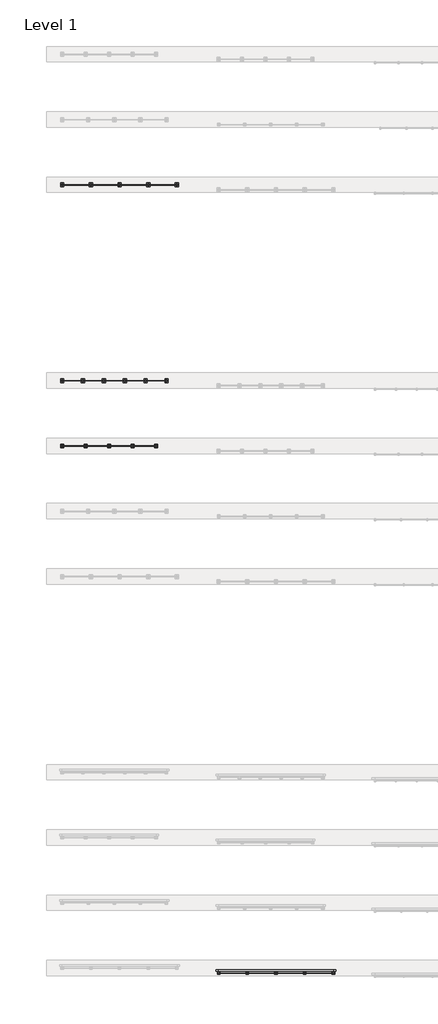
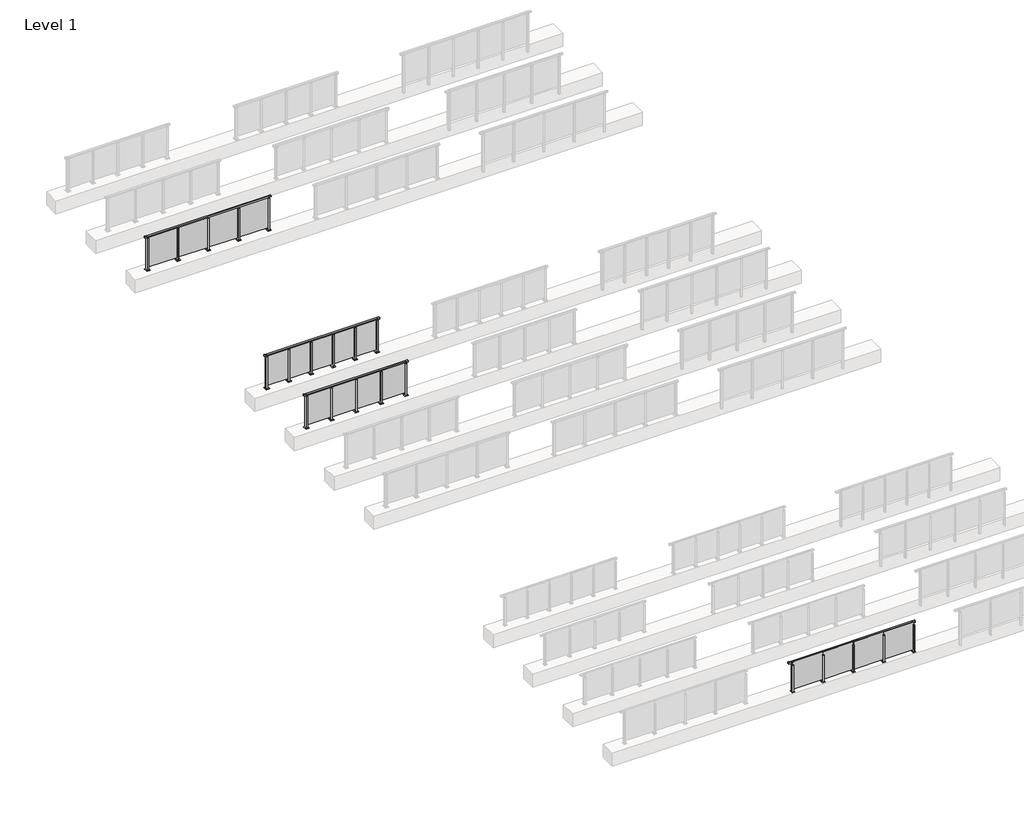
# One storey, part 17 of 38: 4 railings.
"""IFC4 building model written with IfcOpenShell, lengths in millimetres."""

from ifc_helpers import new_model, si_unit, point, frame, frame_2d, origin, origin_with_axes, place, context, project, spatial, polyline, circle_curve, trimmed, segment, composite_curve, outline, extrude, faceted_brep, element, save

model = new_model("IFC4")

# Units and contexts
model_context = context("Model", 3, world=origin())
ifc_project = project(units=[si_unit("LENGTHUNIT", "METRE", prefix="MILLI")], contexts=[model_context])

# Site, building, storey
site = spatial("IfcSite", under=ifc_project)
building = spatial("IfcBuilding", under=site)
storey = spatial("IfcBuildingStorey", under=building, Name="Level 1", Elevation=0.0)

# Railings
placement = place(None, origin())
element("IfcRailing", 1, at=placement, inside=storey, context=model_context, shape_type="SolidModel", body=[
    faceted_brep([(29476.1884576, 30220.1846828, 1252.5), (29476.1884576, 30220.1846828, 1300.0), (33876.1884576, 30220.1846828, 1300.0), (33876.1884576, 30220.1846828, 1252.5), (29476.1884576, 30160.1846828, 1252.5), (33876.1884576, 30160.1846828, 1252.5), (29476.1884576, 30160.1846828, 1300.0), (33876.1884576, 30160.1846828, 1300.0), (29388.6884576, 30220.1846828, 1300.0), (29388.6884576, 30220.1846828, 1252.5), (29388.6884576, 30160.1846828, 1252.5), (29388.6884576, 30160.1846828, 1300.0), (33963.6884576, 30220.1846828, 1300.0), (33963.6884576, 30160.1846828, 1300.0), (33963.6884576, 30160.1846828, 1252.5), (33963.6884576, 30220.1846828, 1252.5)], [[[0, 1, 2, 3]], [[4, 0, 3, 5]], [[6, 4, 5, 7]], [[1, 6, 7, 2]], [[8, 9, 10, 11]], [[9, 8, 1, 0]], [[10, 9, 0, 4]], [[11, 10, 4, 6]], [[8, 11, 6, 1]], [[12, 13, 14, 15]], [[3, 2, 12, 15]], [[5, 3, 15, 14]], [[7, 5, 14, 13]], [[2, 7, 13, 12]]]),
    extrude(outline(polyline([(32786.1884576, 30196.9598727), (33866.1884576, 30196.9598727), (33866.1884576, 30184.9598727), (32786.1884576, 30184.9598727), (32786.1884576, 30196.9598727)])), frame((0.0, 0.0, 95.0), z_axis=(0.0, 0.0, 1.0), x_axis=(1.0, 0.0, 0.0)), (0.0, 0.0, 1.0), 1170.0),
    extrude(outline(polyline([(32803.1884576, 30151.1846828), (32749.1884576, 30151.1846828), (32749.1884576, 30229.1846828), (32803.1884576, 30229.1846828), (32803.1884576, 30151.1846828)])), frame((0.0, 0.0, 12.0), z_axis=(0.0, 0.0, 1.0), x_axis=(1.0, 0.0, 0.0)), (0.0, 0.0, 1.0), 1215.0),
    extrude(outline(polyline([(32786.1884576, 30180.1846828), (32766.1884576, 30180.1846828), (32766.1884576, 30200.1846828), (32786.1884576, 30200.1846828), (32786.1884576, 30180.1846828)])), frame((0.0, 0.0, 1235.0), z_axis=(0.0, 0.0, 1.0), x_axis=(1.0, 0.0, 0.0)), (0.0, 0.0, 1.0), 20.0),
    extrude(outline(polyline([(32803.1884576, 30151.1846828), (32749.1884576, 30151.1846828), (32749.1884576, 30229.1846828), (32803.1884576, 30229.1846828), (32803.1884576, 30151.1846828)])), frame((0.0, 0.0, 1227.0), z_axis=(0.0, 0.0, 1.0), x_axis=(1.0, 0.0, 0.0)), (0.0, 0.0, 1.0), 8.0),
    extrude(outline(polyline([(32838.6884576, 30115.1846828), (32713.6884576, 30115.1846828), (32713.6884576, 30265.1846828), (32838.6884576, 30265.1846828), (32838.6884576, 30115.1846828)])), origin_with_axes(), (0.0, 0.0, 1.0), 12.0),
    extrude(outline(polyline([(31686.1884576, 30196.9598727), (32766.1884576, 30196.9598727), (32766.1884576, 30184.9598727), (31686.1884576, 30184.9598727), (31686.1884576, 30196.9598727)])), frame((0.0, 0.0, 95.0), z_axis=(0.0, 0.0, 1.0), x_axis=(1.0, 0.0, 0.0)), (0.0, 0.0, 1.0), 1170.0),
    extrude(outline(polyline([(31703.1884576, 30151.1846828), (31649.1884576, 30151.1846828), (31649.1884576, 30229.1846828), (31703.1884576, 30229.1846828), (31703.1884576, 30151.1846828)])), frame((0.0, 0.0, 12.0), z_axis=(0.0, 0.0, 1.0), x_axis=(1.0, 0.0, 0.0)), (0.0, 0.0, 1.0), 1215.0),
    extrude(outline(polyline([(31686.1884576, 30180.1846828), (31666.1884576, 30180.1846828), (31666.1884576, 30200.1846828), (31686.1884576, 30200.1846828), (31686.1884576, 30180.1846828)])), frame((0.0, 0.0, 1235.0), z_axis=(0.0, 0.0, 1.0), x_axis=(1.0, 0.0, 0.0)), (0.0, 0.0, 1.0), 20.0),
    extrude(outline(polyline([(31703.1884576, 30151.1846828), (31649.1884576, 30151.1846828), (31649.1884576, 30229.1846828), (31703.1884576, 30229.1846828), (31703.1884576, 30151.1846828)])), frame((0.0, 0.0, 1227.0), z_axis=(0.0, 0.0, 1.0), x_axis=(1.0, 0.0, 0.0)), (0.0, 0.0, 1.0), 8.0),
    extrude(outline(polyline([(31738.6884576, 30115.1846828), (31613.6884576, 30115.1846828), (31613.6884576, 30265.1846828), (31738.6884576, 30265.1846828), (31738.6884576, 30115.1846828)])), origin_with_axes(), (0.0, 0.0, 1.0), 12.0),
    extrude(outline(polyline([(30586.1884576, 30196.9598727), (31666.1884576, 30196.9598727), (31666.1884576, 30184.9598727), (30586.1884576, 30184.9598727), (30586.1884576, 30196.9598727)])), frame((0.0, 0.0, 95.0), z_axis=(0.0, 0.0, 1.0), x_axis=(1.0, 0.0, 0.0)), (0.0, 0.0, 1.0), 1170.0),
    extrude(outline(polyline([(30603.1884576, 30151.1846828), (30549.1884576, 30151.1846828), (30549.1884576, 30229.1846828), (30603.1884576, 30229.1846828), (30603.1884576, 30151.1846828)])), frame((0.0, 0.0, 12.0), z_axis=(0.0, 0.0, 1.0), x_axis=(1.0, 0.0, 0.0)), (0.0, 0.0, 1.0), 1215.0),
    extrude(outline(polyline([(30586.1884576, 30180.1846828), (30566.1884576, 30180.1846828), (30566.1884576, 30200.1846828), (30586.1884576, 30200.1846828), (30586.1884576, 30180.1846828)])), frame((0.0, 0.0, 1235.0), z_axis=(0.0, 0.0, 1.0), x_axis=(1.0, 0.0, 0.0)), (0.0, 0.0, 1.0), 20.0),
    extrude(outline(polyline([(30603.1884576, 30151.1846828), (30549.1884576, 30151.1846828), (30549.1884576, 30229.1846828), (30603.1884576, 30229.1846828), (30603.1884576, 30151.1846828)])), frame((0.0, 0.0, 1227.0), z_axis=(0.0, 0.0, 1.0), x_axis=(1.0, 0.0, 0.0)), (0.0, 0.0, 1.0), 8.0),
    extrude(outline(polyline([(30638.6884576, 30115.1846828), (30513.6884576, 30115.1846828), (30513.6884576, 30265.1846828), (30638.6884576, 30265.1846828), (30638.6884576, 30115.1846828)])), origin_with_axes(), (0.0, 0.0, 1.0), 12.0),
    extrude(outline(polyline([(29486.1884576, 30196.9598727), (30566.1884576, 30196.9598727), (30566.1884576, 30184.9598727), (29486.1884576, 30184.9598727), (29486.1884576, 30196.9598727)])), frame((0.0, 0.0, 95.0), z_axis=(0.0, 0.0, 1.0), x_axis=(1.0, 0.0, 0.0)), (0.0, 0.0, 1.0), 1170.0),
    extrude(outline(polyline([(33903.1884576, 30151.1846828), (33849.1884576, 30151.1846828), (33849.1884576, 30229.1846828), (33903.1884576, 30229.1846828), (33903.1884576, 30151.1846828)])), frame((0.0, 0.0, 12.0), z_axis=(0.0, 0.0, 1.0), x_axis=(1.0, 0.0, 0.0)), (0.0, 0.0, 1.0), 1215.0),
    extrude(outline(polyline([(33886.1884576, 30180.1846828), (33866.1884576, 30180.1846828), (33866.1884576, 30200.1846828), (33886.1884576, 30200.1846828), (33886.1884576, 30180.1846828)])), frame((0.0, 0.0, 1235.0), z_axis=(0.0, 0.0, 1.0), x_axis=(1.0, 0.0, 0.0)), (0.0, 0.0, 1.0), 20.0),
    extrude(outline(polyline([(33903.1884576, 30151.1846828), (33849.1884576, 30151.1846828), (33849.1884576, 30229.1846828), (33903.1884576, 30229.1846828), (33903.1884576, 30151.1846828)])), frame((0.0, 0.0, 1227.0), z_axis=(0.0, 0.0, 1.0), x_axis=(1.0, 0.0, 0.0)), (0.0, 0.0, 1.0), 8.0),
    extrude(outline(polyline([(33938.6884576, 30115.1846828), (33813.6884576, 30115.1846828), (33813.6884576, 30265.1846828), (33938.6884576, 30265.1846828), (33938.6884576, 30115.1846828)])), origin_with_axes(), (0.0, 0.0, 1.0), 12.0),
    extrude(outline(polyline([(29503.1884576, 30151.1846828), (29449.1884576, 30151.1846828), (29449.1884576, 30229.1846828), (29503.1884576, 30229.1846828), (29503.1884576, 30151.1846828)])), frame((0.0, 0.0, 12.0), z_axis=(0.0, 0.0, 1.0), x_axis=(1.0, 0.0, 0.0)), (0.0, 0.0, 1.0), 1215.0),
    extrude(outline(polyline([(29486.1884576, 30180.1846828), (29466.1884576, 30180.1846828), (29466.1884576, 30200.1846828), (29486.1884576, 30200.1846828), (29486.1884576, 30180.1846828)])), frame((0.0, 0.0, 1235.0), z_axis=(0.0, 0.0, 1.0), x_axis=(1.0, 0.0, 0.0)), (0.0, 0.0, 1.0), 20.0),
    extrude(outline(polyline([(29503.1884576, 30151.1846828), (29449.1884576, 30151.1846828), (29449.1884576, 30229.1846828), (29503.1884576, 30229.1846828), (29503.1884576, 30151.1846828)])), frame((0.0, 0.0, 1227.0), z_axis=(0.0, 0.0, 1.0), x_axis=(1.0, 0.0, 0.0)), (0.0, 0.0, 1.0), 8.0),
    extrude(outline(polyline([(29538.6884576, 30115.1846828), (29413.6884576, 30115.1846828), (29413.6884576, 30265.1846828), (29538.6884576, 30265.1846828), (29538.6884576, 30115.1846828)])), origin_with_axes(), (0.0, 0.0, 1.0), 12.0),
])
element("IfcRailing", 2, at=placement, inside=storey, context=model_context, shape_type="SolidModel", body=[
    faceted_brep([(35476.1884576, 125.6846828, 1052.5), (35476.1884576, 125.6846828, 1100.0), (39876.1884576, 125.6846828, 1100.0), (39876.1884576, 125.6846828, 1052.5), (35476.1884576, 65.6846828, 1052.5), (39876.1884576, 65.6846828, 1052.5), (35476.1884576, 65.6846828, 1100.0), (39876.1884576, 65.6846828, 1100.0), (35376.1884576, 125.6846828, 1100.0), (35376.1884576, 125.6846828, 1052.5), (35376.1884576, 65.6846828, 1052.5), (35376.1884576, 65.6846828, 1100.0), (39976.1884576, 125.6846828, 1100.0), (39976.1884576, 65.6846828, 1100.0), (39976.1884576, 65.6846828, 1052.5), (39976.1884576, 125.6846828, 1052.5)], [[[0, 1, 2, 3]], [[4, 0, 3, 5]], [[6, 4, 5, 7]], [[1, 6, 7, 2]], [[8, 9, 10, 11]], [[9, 8, 1, 0]], [[10, 9, 0, 4]], [[11, 10, 4, 6]], [[8, 11, 6, 1]], [[12, 13, 14, 15]], [[3, 2, 12, 15]], [[5, 3, 15, 14]], [[7, 5, 14, 13]], [[2, 7, 13, 12]]]),
    extrude(outline(polyline([(38786.1884576, -5.5905071), (38786.1884576, 4.4094929), (39866.1884576, 4.4094929), (39866.1884576, -5.5905071), (38786.1884576, -5.5905071)])), frame((0.0, 0.0, 95.0), z_axis=(0.0, 0.0, 1.0), x_axis=(1.0, 0.0, 0.0)), (0.0, 0.0, 1.0), 1055.0),
    extrude(outline(composite_curve([segment(polyline([(120.6846828, 1085.0), (120.6846828, 1060.900037)]), True, "CONTINUOUS"), segment(trimmed(circle_curve(frame_2d((110.6846828, 1060.900037)), 10.0), [point((120.6846828, 1060.900037))], [point((113.2728733, 1051.2407787))], False, "CARTESIAN"), True, "CONTINUOUS"), segment(polyline([(113.2728733, 1051.2407787), (56.2244733, 1035.9547061)]), True, "CONTINUOUS"), segment(trimmed(circle_curve(frame_2d((58.8126638, 1026.2954478)), 10.0), [point((56.2244733, 1035.9547061))], [point((48.8982152, 1027.6007097))], True, "CARTESIAN"), True, "CONTINUOUS"), segment(polyline([(48.8982152, 1027.6007097), (44.291393, 992.6084214)]), True, "CONTINUOUS"), segment(trimmed(circle_curve(frame_2d((41.3170584, 993.0)), 3.0), [point((44.291393, 992.6084214))], [point((41.3170584, 990.0))], False, "CARTESIAN"), True, "CONTINUOUS"), segment(polyline([(41.3170584, 990.0), (32.6846828, 990.0), (32.6846828, 1040.0), (96.6846828, 1057.1487483), (96.6846828, 1085.0), (120.6846828, 1085.0)]), True, "CONTINUOUS")], self_intersect=False)), frame((38763.6884576, 0.0, 0.0), z_axis=(1.0, 0.0, 0.0), x_axis=(0.0, 1.0, 0.0)), (0.0, 0.0, 1.0), 25.0),
    extrude(outline(polyline([(38798.6884576, 32.6846828), (38798.6884576, -32.3153172), (38753.6884576, -32.3153172), (38753.6884576, 32.6846828), (38798.6884576, 32.6846828)])), frame((0.0, 0.0, 1040.0), z_axis=(0.0, 0.0, 1.0), x_axis=(1.0, 0.0, 0.0)), (0.0, 0.0, 1.0), 5.0),
    extrude(outline(polyline([(38826.1884576, 50.1846828), (38826.1884576, -49.8153172), (38726.1884576, -49.8153172), (38726.1884576, 50.1846828), (38826.1884576, 50.1846828)])), origin_with_axes(), (0.0, 0.0, 1.0), 12.0),
    extrude(outline(polyline([(38798.6884576, 32.6846828), (38798.6884576, -32.3153172), (38753.6884576, -32.3153172), (38753.6884576, 32.6846828), (38798.6884576, 32.6846828)])), frame((0.0, 0.0, 12.0), z_axis=(0.0, 0.0, 1.0), x_axis=(1.0, 0.0, 0.0)), (0.0, 0.0, 1.0), 1028.0),
    extrude(outline(polyline([(37686.1884576, -5.5905071), (37686.1884576, 4.4094929), (38766.1884576, 4.4094929), (38766.1884576, -5.5905071), (37686.1884576, -5.5905071)])), frame((0.0, 0.0, 95.0), z_axis=(0.0, 0.0, 1.0), x_axis=(1.0, 0.0, 0.0)), (0.0, 0.0, 1.0), 1055.0),
    extrude(outline(composite_curve([segment(polyline([(120.6846828, 1085.0), (120.6846828, 1060.900037)]), True, "CONTINUOUS"), segment(trimmed(circle_curve(frame_2d((110.6846828, 1060.900037)), 10.0), [point((120.6846828, 1060.900037))], [point((113.2728733, 1051.2407787))], False, "CARTESIAN"), True, "CONTINUOUS"), segment(polyline([(113.2728733, 1051.2407787), (56.2244733, 1035.9547061)]), True, "CONTINUOUS"), segment(trimmed(circle_curve(frame_2d((58.8126638, 1026.2954478)), 10.0), [point((56.2244733, 1035.9547061))], [point((48.8982152, 1027.6007097))], True, "CARTESIAN"), True, "CONTINUOUS"), segment(polyline([(48.8982152, 1027.6007097), (44.291393, 992.6084214)]), True, "CONTINUOUS"), segment(trimmed(circle_curve(frame_2d((41.3170584, 993.0)), 3.0), [point((44.291393, 992.6084214))], [point((41.3170584, 990.0))], False, "CARTESIAN"), True, "CONTINUOUS"), segment(polyline([(41.3170584, 990.0), (32.6846828, 990.0), (32.6846828, 1040.0), (96.6846828, 1057.1487483), (96.6846828, 1085.0), (120.6846828, 1085.0)]), True, "CONTINUOUS")], self_intersect=False)), frame((37663.6884576, 0.0, 0.0), z_axis=(1.0, 0.0, 0.0), x_axis=(0.0, 1.0, 0.0)), (0.0, 0.0, 1.0), 25.0),
    extrude(outline(polyline([(37698.6884576, 32.6846828), (37698.6884576, -32.3153172), (37653.6884576, -32.3153172), (37653.6884576, 32.6846828), (37698.6884576, 32.6846828)])), frame((0.0, 0.0, 1040.0), z_axis=(0.0, 0.0, 1.0), x_axis=(1.0, 0.0, 0.0)), (0.0, 0.0, 1.0), 5.0),
    extrude(outline(polyline([(37726.1884576, 50.1846828), (37726.1884576, -49.8153172), (37626.1884576, -49.8153172), (37626.1884576, 50.1846828), (37726.1884576, 50.1846828)])), origin_with_axes(), (0.0, 0.0, 1.0), 12.0),
    extrude(outline(polyline([(37698.6884576, 32.6846828), (37698.6884576, -32.3153172), (37653.6884576, -32.3153172), (37653.6884576, 32.6846828), (37698.6884576, 32.6846828)])), frame((0.0, 0.0, 12.0), z_axis=(0.0, 0.0, 1.0), x_axis=(1.0, 0.0, 0.0)), (0.0, 0.0, 1.0), 1028.0),
    extrude(outline(polyline([(36586.1884576, -5.5905071), (36586.1884576, 4.4094929), (37666.1884576, 4.4094929), (37666.1884576, -5.5905071), (36586.1884576, -5.5905071)])), frame((0.0, 0.0, 95.0), z_axis=(0.0, 0.0, 1.0), x_axis=(1.0, 0.0, 0.0)), (0.0, 0.0, 1.0), 1055.0),
    extrude(outline(composite_curve([segment(polyline([(120.6846828, 1085.0), (120.6846828, 1060.900037)]), True, "CONTINUOUS"), segment(trimmed(circle_curve(frame_2d((110.6846828, 1060.900037)), 10.0), [point((120.6846828, 1060.900037))], [point((113.2728733, 1051.2407787))], False, "CARTESIAN"), True, "CONTINUOUS"), segment(polyline([(113.2728733, 1051.2407787), (56.2244733, 1035.9547061)]), True, "CONTINUOUS"), segment(trimmed(circle_curve(frame_2d((58.8126638, 1026.2954478)), 10.0), [point((56.2244733, 1035.9547061))], [point((48.8982152, 1027.6007097))], True, "CARTESIAN"), True, "CONTINUOUS"), segment(polyline([(48.8982152, 1027.6007097), (44.291393, 992.6084214)]), True, "CONTINUOUS"), segment(trimmed(circle_curve(frame_2d((41.3170584, 993.0)), 3.0), [point((44.291393, 992.6084214))], [point((41.3170584, 990.0))], False, "CARTESIAN"), True, "CONTINUOUS"), segment(polyline([(41.3170584, 990.0), (32.6846828, 990.0), (32.6846828, 1040.0), (96.6846828, 1057.1487483), (96.6846828, 1085.0), (120.6846828, 1085.0)]), True, "CONTINUOUS")], self_intersect=False)), frame((36563.6884576, 0.0, 0.0), z_axis=(1.0, 0.0, 0.0), x_axis=(0.0, 1.0, 0.0)), (0.0, 0.0, 1.0), 25.0),
    extrude(outline(polyline([(36598.6884576, 32.6846828), (36598.6884576, -32.3153172), (36553.6884576, -32.3153172), (36553.6884576, 32.6846828), (36598.6884576, 32.6846828)])), frame((0.0, 0.0, 1040.0), z_axis=(0.0, 0.0, 1.0), x_axis=(1.0, 0.0, 0.0)), (0.0, 0.0, 1.0), 5.0),
    extrude(outline(polyline([(36626.1884576, 50.1846828), (36626.1884576, -49.8153172), (36526.1884576, -49.8153172), (36526.1884576, 50.1846828), (36626.1884576, 50.1846828)])), origin_with_axes(), (0.0, 0.0, 1.0), 12.0),
    extrude(outline(polyline([(36598.6884576, 32.6846828), (36598.6884576, -32.3153172), (36553.6884576, -32.3153172), (36553.6884576, 32.6846828), (36598.6884576, 32.6846828)])), frame((0.0, 0.0, 12.0), z_axis=(0.0, 0.0, 1.0), x_axis=(1.0, 0.0, 0.0)), (0.0, 0.0, 1.0), 1028.0),
    extrude(outline(polyline([(35486.1884576, -5.5905071), (35486.1884576, 4.4094929), (36566.1884576, 4.4094929), (36566.1884576, -5.5905071), (35486.1884576, -5.5905071)])), frame((0.0, 0.0, 95.0), z_axis=(0.0, 0.0, 1.0), x_axis=(1.0, 0.0, 0.0)), (0.0, 0.0, 1.0), 1055.0),
    extrude(outline(composite_curve([segment(polyline([(120.6846828, 1085.0), (120.6846828, 1060.900037)]), True, "CONTINUOUS"), segment(trimmed(circle_curve(frame_2d((110.6846828, 1060.900037)), 10.0), [point((120.6846828, 1060.900037))], [point((113.2728733, 1051.2407787))], False, "CARTESIAN"), True, "CONTINUOUS"), segment(polyline([(113.2728733, 1051.2407787), (56.2244733, 1035.9547061)]), True, "CONTINUOUS"), segment(trimmed(circle_curve(frame_2d((58.8126638, 1026.2954478)), 10.0), [point((56.2244733, 1035.9547061))], [point((48.8982152, 1027.6007097))], True, "CARTESIAN"), True, "CONTINUOUS"), segment(polyline([(48.8982152, 1027.6007097), (44.291393, 992.6084214)]), True, "CONTINUOUS"), segment(trimmed(circle_curve(frame_2d((41.3170584, 993.0)), 3.0), [point((44.291393, 992.6084214))], [point((41.3170584, 990.0))], False, "CARTESIAN"), True, "CONTINUOUS"), segment(polyline([(41.3170584, 990.0), (32.6846828, 990.0), (32.6846828, 1040.0), (96.6846828, 1057.1487483), (96.6846828, 1085.0), (120.6846828, 1085.0)]), True, "CONTINUOUS")], self_intersect=False)), frame((39863.6884576, 0.0, 0.0), z_axis=(1.0, 0.0, 0.0), x_axis=(0.0, 1.0, 0.0)), (0.0, 0.0, 1.0), 25.0),
    extrude(outline(polyline([(39898.6884576, 32.6846828), (39898.6884576, -32.3153172), (39853.6884576, -32.3153172), (39853.6884576, 32.6846828), (39898.6884576, 32.6846828)])), frame((0.0, 0.0, 1040.0), z_axis=(0.0, 0.0, 1.0), x_axis=(1.0, 0.0, 0.0)), (0.0, 0.0, 1.0), 5.0),
    extrude(outline(polyline([(39926.1884576, 50.1846828), (39926.1884576, -49.8153172), (39826.1884576, -49.8153172), (39826.1884576, 50.1846828), (39926.1884576, 50.1846828)])), origin_with_axes(), (0.0, 0.0, 1.0), 12.0),
    extrude(outline(polyline([(39898.6884576, 32.6846828), (39898.6884576, -32.3153172), (39853.6884576, -32.3153172), (39853.6884576, 32.6846828), (39898.6884576, 32.6846828)])), frame((0.0, 0.0, 12.0), z_axis=(0.0, 0.0, 1.0), x_axis=(1.0, 0.0, 0.0)), (0.0, 0.0, 1.0), 1028.0),
    extrude(outline(composite_curve([segment(polyline([(120.6846828, 1085.0), (120.6846828, 1060.900037)]), True, "CONTINUOUS"), segment(trimmed(circle_curve(frame_2d((110.6846828, 1060.900037)), 10.0), [point((120.6846828, 1060.900037))], [point((113.2728733, 1051.2407787))], False, "CARTESIAN"), True, "CONTINUOUS"), segment(polyline([(113.2728733, 1051.2407787), (56.2244733, 1035.9547061)]), True, "CONTINUOUS"), segment(trimmed(circle_curve(frame_2d((58.8126638, 1026.2954478)), 10.0), [point((56.2244733, 1035.9547061))], [point((48.8982152, 1027.6007097))], True, "CARTESIAN"), True, "CONTINUOUS"), segment(polyline([(48.8982152, 1027.6007097), (44.291393, 992.6084214)]), True, "CONTINUOUS"), segment(trimmed(circle_curve(frame_2d((41.3170584, 993.0)), 3.0), [point((44.291393, 992.6084214))], [point((41.3170584, 990.0))], False, "CARTESIAN"), True, "CONTINUOUS"), segment(polyline([(41.3170584, 990.0), (32.6846828, 990.0), (32.6846828, 1040.0), (96.6846828, 1057.1487483), (96.6846828, 1085.0), (120.6846828, 1085.0)]), True, "CONTINUOUS")], self_intersect=False)), frame((35463.6884576, 0.0, 0.0), z_axis=(1.0, 0.0, 0.0), x_axis=(0.0, 1.0, 0.0)), (0.0, 0.0, 1.0), 25.0),
    extrude(outline(polyline([(35498.6884576, 32.6846828), (35498.6884576, -32.3153172), (35453.6884576, -32.3153172), (35453.6884576, 32.6846828), (35498.6884576, 32.6846828)])), frame((0.0, 0.0, 1040.0), z_axis=(0.0, 0.0, 1.0), x_axis=(1.0, 0.0, 0.0)), (0.0, 0.0, 1.0), 5.0),
    extrude(outline(polyline([(35526.1884576, 50.1846828), (35526.1884576, -49.8153172), (35426.1884576, -49.8153172), (35426.1884576, 50.1846828), (35526.1884576, 50.1846828)])), origin_with_axes(), (0.0, 0.0, 1.0), 12.0),
    extrude(outline(polyline([(35498.6884576, 32.6846828), (35498.6884576, -32.3153172), (35453.6884576, -32.3153172), (35453.6884576, 32.6846828), (35498.6884576, 32.6846828)])), frame((0.0, 0.0, 12.0), z_axis=(0.0, 0.0, 1.0), x_axis=(1.0, 0.0, 0.0)), (0.0, 0.0, 1.0), 1028.0),
])
element("IfcRailing", 3, at=placement, inside=storey, context=model_context, shape_type="SolidModel", body=[
    faceted_brep([(29476.1884576, 20220.1846828, 1252.5), (29476.1884576, 20220.1846828, 1300.0), (33076.1884576, 20220.1846828, 1300.0), (33076.1884576, 20220.1846828, 1252.5), (29476.1884576, 20160.1846828, 1252.5), (33076.1884576, 20160.1846828, 1252.5), (29476.1884576, 20160.1846828, 1300.0), (33076.1884576, 20160.1846828, 1300.0), (29388.6884576, 20220.1846828, 1300.0), (29388.6884576, 20220.1846828, 1252.5), (29388.6884576, 20160.1846828, 1252.5), (29388.6884576, 20160.1846828, 1300.0), (33163.6884576, 20220.1846828, 1300.0), (33163.6884576, 20160.1846828, 1300.0), (33163.6884576, 20160.1846828, 1252.5), (33163.6884576, 20220.1846828, 1252.5)], [[[0, 1, 2, 3]], [[4, 0, 3, 5]], [[6, 4, 5, 7]], [[1, 6, 7, 2]], [[8, 9, 10, 11]], [[9, 8, 1, 0]], [[10, 9, 0, 4]], [[11, 10, 4, 6]], [[8, 11, 6, 1]], [[12, 13, 14, 15]], [[3, 2, 12, 15]], [[5, 3, 15, 14]], [[7, 5, 14, 13]], [[2, 7, 13, 12]]]),
    extrude(outline(polyline([(32186.1884576, 20198.4598727), (33066.1884576, 20198.4598727), (33066.1884576, 20183.4598727), (32186.1884576, 20183.4598727), (32186.1884576, 20198.4598727)])), frame((0.0, 0.0, 95.0), z_axis=(0.0, 0.0, 1.0), x_axis=(1.0, 0.0, 0.0)), (0.0, 0.0, 1.0), 1160.0),
    extrude(outline(polyline([(32203.1884576, 20151.1846828), (32149.1884576, 20151.1846828), (32149.1884576, 20229.1846828), (32203.1884576, 20229.1846828), (32203.1884576, 20151.1846828)])), frame((0.0, 0.0, 12.0), z_axis=(0.0, 0.0, 1.0), x_axis=(1.0, 0.0, 0.0)), (0.0, 0.0, 1.0), 1215.0),
    extrude(outline(polyline([(32186.1884576, 20180.1846828), (32166.1884576, 20180.1846828), (32166.1884576, 20200.1846828), (32186.1884576, 20200.1846828), (32186.1884576, 20180.1846828)])), frame((0.0, 0.0, 1235.0), z_axis=(0.0, 0.0, 1.0), x_axis=(1.0, 0.0, 0.0)), (0.0, 0.0, 1.0), 20.0),
    extrude(outline(polyline([(32203.1884576, 20151.1846828), (32149.1884576, 20151.1846828), (32149.1884576, 20229.1846828), (32203.1884576, 20229.1846828), (32203.1884576, 20151.1846828)])), frame((0.0, 0.0, 1227.0), z_axis=(0.0, 0.0, 1.0), x_axis=(1.0, 0.0, 0.0)), (0.0, 0.0, 1.0), 8.0),
    extrude(outline(polyline([(32238.6884576, 20115.1846828), (32113.6884576, 20115.1846828), (32113.6884576, 20265.1846828), (32238.6884576, 20265.1846828), (32238.6884576, 20115.1846828)])), origin_with_axes(), (0.0, 0.0, 1.0), 12.0),
    extrude(outline(polyline([(31286.1884576, 20198.4598727), (32166.1884576, 20198.4598727), (32166.1884576, 20183.4598727), (31286.1884576, 20183.4598727), (31286.1884576, 20198.4598727)])), frame((0.0, 0.0, 95.0), z_axis=(0.0, 0.0, 1.0), x_axis=(1.0, 0.0, 0.0)), (0.0, 0.0, 1.0), 1160.0),
    extrude(outline(polyline([(31303.1884576, 20151.1846828), (31249.1884576, 20151.1846828), (31249.1884576, 20229.1846828), (31303.1884576, 20229.1846828), (31303.1884576, 20151.1846828)])), frame((0.0, 0.0, 12.0), z_axis=(0.0, 0.0, 1.0), x_axis=(1.0, 0.0, 0.0)), (0.0, 0.0, 1.0), 1215.0),
    extrude(outline(polyline([(31286.1884576, 20180.1846828), (31266.1884576, 20180.1846828), (31266.1884576, 20200.1846828), (31286.1884576, 20200.1846828), (31286.1884576, 20180.1846828)])), frame((0.0, 0.0, 1235.0), z_axis=(0.0, 0.0, 1.0), x_axis=(1.0, 0.0, 0.0)), (0.0, 0.0, 1.0), 20.0),
    extrude(outline(polyline([(31303.1884576, 20151.1846828), (31249.1884576, 20151.1846828), (31249.1884576, 20229.1846828), (31303.1884576, 20229.1846828), (31303.1884576, 20151.1846828)])), frame((0.0, 0.0, 1227.0), z_axis=(0.0, 0.0, 1.0), x_axis=(1.0, 0.0, 0.0)), (0.0, 0.0, 1.0), 8.0),
    extrude(outline(polyline([(31338.6884576, 20115.1846828), (31213.6884576, 20115.1846828), (31213.6884576, 20265.1846828), (31338.6884576, 20265.1846828), (31338.6884576, 20115.1846828)])), origin_with_axes(), (0.0, 0.0, 1.0), 12.0),
    extrude(outline(polyline([(30386.1884576, 20198.4598727), (31266.1884576, 20198.4598727), (31266.1884576, 20183.4598727), (30386.1884576, 20183.4598727), (30386.1884576, 20198.4598727)])), frame((0.0, 0.0, 95.0), z_axis=(0.0, 0.0, 1.0), x_axis=(1.0, 0.0, 0.0)), (0.0, 0.0, 1.0), 1160.0),
    extrude(outline(polyline([(30403.1884576, 20151.1846828), (30349.1884576, 20151.1846828), (30349.1884576, 20229.1846828), (30403.1884576, 20229.1846828), (30403.1884576, 20151.1846828)])), frame((0.0, 0.0, 12.0), z_axis=(0.0, 0.0, 1.0), x_axis=(1.0, 0.0, 0.0)), (0.0, 0.0, 1.0), 1215.0),
    extrude(outline(polyline([(30386.1884576, 20180.1846828), (30366.1884576, 20180.1846828), (30366.1884576, 20200.1846828), (30386.1884576, 20200.1846828), (30386.1884576, 20180.1846828)])), frame((0.0, 0.0, 1235.0), z_axis=(0.0, 0.0, 1.0), x_axis=(1.0, 0.0, 0.0)), (0.0, 0.0, 1.0), 20.0),
    extrude(outline(polyline([(30403.1884576, 20151.1846828), (30349.1884576, 20151.1846828), (30349.1884576, 20229.1846828), (30403.1884576, 20229.1846828), (30403.1884576, 20151.1846828)])), frame((0.0, 0.0, 1227.0), z_axis=(0.0, 0.0, 1.0), x_axis=(1.0, 0.0, 0.0)), (0.0, 0.0, 1.0), 8.0),
    extrude(outline(polyline([(30438.6884576, 20115.1846828), (30313.6884576, 20115.1846828), (30313.6884576, 20265.1846828), (30438.6884576, 20265.1846828), (30438.6884576, 20115.1846828)])), origin_with_axes(), (0.0, 0.0, 1.0), 12.0),
    extrude(outline(polyline([(29486.1884576, 20198.4598727), (30366.1884576, 20198.4598727), (30366.1884576, 20183.4598727), (29486.1884576, 20183.4598727), (29486.1884576, 20198.4598727)])), frame((0.0, 0.0, 95.0), z_axis=(0.0, 0.0, 1.0), x_axis=(1.0, 0.0, 0.0)), (0.0, 0.0, 1.0), 1160.0),
    extrude(outline(polyline([(33103.1884576, 20151.1846828), (33049.1884576, 20151.1846828), (33049.1884576, 20229.1846828), (33103.1884576, 20229.1846828), (33103.1884576, 20151.1846828)])), frame((0.0, 0.0, 12.0), z_axis=(0.0, 0.0, 1.0), x_axis=(1.0, 0.0, 0.0)), (0.0, 0.0, 1.0), 1215.0),
    extrude(outline(polyline([(33086.1884576, 20180.1846828), (33066.1884576, 20180.1846828), (33066.1884576, 20200.1846828), (33086.1884576, 20200.1846828), (33086.1884576, 20180.1846828)])), frame((0.0, 0.0, 1235.0), z_axis=(0.0, 0.0, 1.0), x_axis=(1.0, 0.0, 0.0)), (0.0, 0.0, 1.0), 20.0),
    extrude(outline(polyline([(33103.1884576, 20151.1846828), (33049.1884576, 20151.1846828), (33049.1884576, 20229.1846828), (33103.1884576, 20229.1846828), (33103.1884576, 20151.1846828)])), frame((0.0, 0.0, 1227.0), z_axis=(0.0, 0.0, 1.0), x_axis=(1.0, 0.0, 0.0)), (0.0, 0.0, 1.0), 8.0),
    extrude(outline(polyline([(33138.6884576, 20115.1846828), (33013.6884576, 20115.1846828), (33013.6884576, 20265.1846828), (33138.6884576, 20265.1846828), (33138.6884576, 20115.1846828)])), origin_with_axes(), (0.0, 0.0, 1.0), 12.0),
    extrude(outline(polyline([(29503.1884576, 20151.1846828), (29449.1884576, 20151.1846828), (29449.1884576, 20229.1846828), (29503.1884576, 20229.1846828), (29503.1884576, 20151.1846828)])), frame((0.0, 0.0, 12.0), z_axis=(0.0, 0.0, 1.0), x_axis=(1.0, 0.0, 0.0)), (0.0, 0.0, 1.0), 1215.0),
    extrude(outline(polyline([(29486.1884576, 20180.1846828), (29466.1884576, 20180.1846828), (29466.1884576, 20200.1846828), (29486.1884576, 20200.1846828), (29486.1884576, 20180.1846828)])), frame((0.0, 0.0, 1235.0), z_axis=(0.0, 0.0, 1.0), x_axis=(1.0, 0.0, 0.0)), (0.0, 0.0, 1.0), 20.0),
    extrude(outline(polyline([(29503.1884576, 20151.1846828), (29449.1884576, 20151.1846828), (29449.1884576, 20229.1846828), (29503.1884576, 20229.1846828), (29503.1884576, 20151.1846828)])), frame((0.0, 0.0, 1227.0), z_axis=(0.0, 0.0, 1.0), x_axis=(1.0, 0.0, 0.0)), (0.0, 0.0, 1.0), 8.0),
    extrude(outline(polyline([(29538.6884576, 20115.1846828), (29413.6884576, 20115.1846828), (29413.6884576, 20265.1846828), (29538.6884576, 20265.1846828), (29538.6884576, 20115.1846828)])), origin_with_axes(), (0.0, 0.0, 1.0), 12.0),
])
element("IfcRailing", 4, at=placement, inside=storey, context=model_context, shape_type="SolidModel", body=[
    faceted_brep([(29476.1884576, 22720.1846828, 1252.5), (29476.1884576, 22720.1846828, 1300.0), (33476.1884576, 22720.1846828, 1300.0), (33476.1884576, 22720.1846828, 1252.5), (29476.1884576, 22660.1846828, 1252.5), (33476.1884576, 22660.1846828, 1252.5), (29476.1884576, 22660.1846828, 1300.0), (33476.1884576, 22660.1846828, 1300.0), (29388.6884576, 22720.1846828, 1300.0), (29388.6884576, 22720.1846828, 1252.5), (29388.6884576, 22660.1846828, 1252.5), (29388.6884576, 22660.1846828, 1300.0), (33563.6884576, 22720.1846828, 1300.0), (33563.6884576, 22660.1846828, 1300.0), (33563.6884576, 22660.1846828, 1252.5), (33563.6884576, 22720.1846828, 1252.5)], [[[0, 1, 2, 3]], [[4, 0, 3, 5]], [[6, 4, 5, 7]], [[1, 6, 7, 2]], [[8, 9, 10, 11]], [[9, 8, 1, 0]], [[10, 9, 0, 4]], [[11, 10, 4, 6]], [[8, 11, 6, 1]], [[12, 13, 14, 15]], [[3, 2, 12, 15]], [[5, 3, 15, 14]], [[7, 5, 14, 13]], [[2, 7, 13, 12]]]),
    extrude(outline(polyline([(32686.1884576, 22698.4598727), (33466.1884576, 22698.4598727), (33466.1884576, 22683.4598727), (32686.1884576, 22683.4598727), (32686.1884576, 22698.4598727)])), frame((0.0, 0.0, 95.0), z_axis=(0.0, 0.0, 1.0), x_axis=(1.0, 0.0, 0.0)), (0.0, 0.0, 1.0), 1160.0),
    extrude(outline(polyline([(32703.1884576, 22651.1846828), (32649.1884576, 22651.1846828), (32649.1884576, 22729.1846828), (32703.1884576, 22729.1846828), (32703.1884576, 22651.1846828)])), frame((0.0, 0.0, 12.0), z_axis=(0.0, 0.0, 1.0), x_axis=(1.0, 0.0, 0.0)), (0.0, 0.0, 1.0), 1215.0),
    extrude(outline(polyline([(32686.1884576, 22680.1846828), (32666.1884576, 22680.1846828), (32666.1884576, 22700.1846828), (32686.1884576, 22700.1846828), (32686.1884576, 22680.1846828)])), frame((0.0, 0.0, 1235.0), z_axis=(0.0, 0.0, 1.0), x_axis=(1.0, 0.0, 0.0)), (0.0, 0.0, 1.0), 20.0),
    extrude(outline(polyline([(32703.1884576, 22651.1846828), (32649.1884576, 22651.1846828), (32649.1884576, 22729.1846828), (32703.1884576, 22729.1846828), (32703.1884576, 22651.1846828)])), frame((0.0, 0.0, 1227.0), z_axis=(0.0, 0.0, 1.0), x_axis=(1.0, 0.0, 0.0)), (0.0, 0.0, 1.0), 8.0),
    extrude(outline(polyline([(32738.6884576, 22615.1846828), (32613.6884576, 22615.1846828), (32613.6884576, 22765.1846828), (32738.6884576, 22765.1846828), (32738.6884576, 22615.1846828)])), origin_with_axes(), (0.0, 0.0, 1.0), 12.0),
    extrude(outline(polyline([(31886.1884576, 22698.4598727), (32666.1884576, 22698.4598727), (32666.1884576, 22683.4598727), (31886.1884576, 22683.4598727), (31886.1884576, 22698.4598727)])), frame((0.0, 0.0, 95.0), z_axis=(0.0, 0.0, 1.0), x_axis=(1.0, 0.0, 0.0)), (0.0, 0.0, 1.0), 1160.0),
    extrude(outline(polyline([(31903.1884576, 22651.1846828), (31849.1884576, 22651.1846828), (31849.1884576, 22729.1846828), (31903.1884576, 22729.1846828), (31903.1884576, 22651.1846828)])), frame((0.0, 0.0, 12.0), z_axis=(0.0, 0.0, 1.0), x_axis=(1.0, 0.0, 0.0)), (0.0, 0.0, 1.0), 1215.0),
    extrude(outline(polyline([(31886.1884576, 22680.1846828), (31866.1884576, 22680.1846828), (31866.1884576, 22700.1846828), (31886.1884576, 22700.1846828), (31886.1884576, 22680.1846828)])), frame((0.0, 0.0, 1235.0), z_axis=(0.0, 0.0, 1.0), x_axis=(1.0, 0.0, 0.0)), (0.0, 0.0, 1.0), 20.0),
    extrude(outline(polyline([(31903.1884576, 22651.1846828), (31849.1884576, 22651.1846828), (31849.1884576, 22729.1846828), (31903.1884576, 22729.1846828), (31903.1884576, 22651.1846828)])), frame((0.0, 0.0, 1227.0), z_axis=(0.0, 0.0, 1.0), x_axis=(1.0, 0.0, 0.0)), (0.0, 0.0, 1.0), 8.0),
    extrude(outline(polyline([(31938.6884576, 22615.1846828), (31813.6884576, 22615.1846828), (31813.6884576, 22765.1846828), (31938.6884576, 22765.1846828), (31938.6884576, 22615.1846828)])), origin_with_axes(), (0.0, 0.0, 1.0), 12.0),
    extrude(outline(polyline([(31086.1884576, 22698.4598727), (31866.1884576, 22698.4598727), (31866.1884576, 22683.4598727), (31086.1884576, 22683.4598727), (31086.1884576, 22698.4598727)])), frame((0.0, 0.0, 95.0), z_axis=(0.0, 0.0, 1.0), x_axis=(1.0, 0.0, 0.0)), (0.0, 0.0, 1.0), 1160.0),
    extrude(outline(polyline([(31103.1884576, 22651.1846828), (31049.1884576, 22651.1846828), (31049.1884576, 22729.1846828), (31103.1884576, 22729.1846828), (31103.1884576, 22651.1846828)])), frame((0.0, 0.0, 12.0), z_axis=(0.0, 0.0, 1.0), x_axis=(1.0, 0.0, 0.0)), (0.0, 0.0, 1.0), 1215.0),
    extrude(outline(polyline([(31086.1884576, 22680.1846828), (31066.1884576, 22680.1846828), (31066.1884576, 22700.1846828), (31086.1884576, 22700.1846828), (31086.1884576, 22680.1846828)])), frame((0.0, 0.0, 1235.0), z_axis=(0.0, 0.0, 1.0), x_axis=(1.0, 0.0, 0.0)), (0.0, 0.0, 1.0), 20.0),
    extrude(outline(polyline([(31103.1884576, 22651.1846828), (31049.1884576, 22651.1846828), (31049.1884576, 22729.1846828), (31103.1884576, 22729.1846828), (31103.1884576, 22651.1846828)])), frame((0.0, 0.0, 1227.0), z_axis=(0.0, 0.0, 1.0), x_axis=(1.0, 0.0, 0.0)), (0.0, 0.0, 1.0), 8.0),
    extrude(outline(polyline([(31138.6884576, 22615.1846828), (31013.6884576, 22615.1846828), (31013.6884576, 22765.1846828), (31138.6884576, 22765.1846828), (31138.6884576, 22615.1846828)])), origin_with_axes(), (0.0, 0.0, 1.0), 12.0),
    extrude(outline(polyline([(30286.1884576, 22698.4598727), (31066.1884576, 22698.4598727), (31066.1884576, 22683.4598727), (30286.1884576, 22683.4598727), (30286.1884576, 22698.4598727)])), frame((0.0, 0.0, 95.0), z_axis=(0.0, 0.0, 1.0), x_axis=(1.0, 0.0, 0.0)), (0.0, 0.0, 1.0), 1160.0),
    extrude(outline(polyline([(30303.1884576, 22651.1846828), (30249.1884576, 22651.1846828), (30249.1884576, 22729.1846828), (30303.1884576, 22729.1846828), (30303.1884576, 22651.1846828)])), frame((0.0, 0.0, 12.0), z_axis=(0.0, 0.0, 1.0), x_axis=(1.0, 0.0, 0.0)), (0.0, 0.0, 1.0), 1215.0),
    extrude(outline(polyline([(30286.1884576, 22680.1846828), (30266.1884576, 22680.1846828), (30266.1884576, 22700.1846828), (30286.1884576, 22700.1846828), (30286.1884576, 22680.1846828)])), frame((0.0, 0.0, 1235.0), z_axis=(0.0, 0.0, 1.0), x_axis=(1.0, 0.0, 0.0)), (0.0, 0.0, 1.0), 20.0),
    extrude(outline(polyline([(30303.1884576, 22651.1846828), (30249.1884576, 22651.1846828), (30249.1884576, 22729.1846828), (30303.1884576, 22729.1846828), (30303.1884576, 22651.1846828)])), frame((0.0, 0.0, 1227.0), z_axis=(0.0, 0.0, 1.0), x_axis=(1.0, 0.0, 0.0)), (0.0, 0.0, 1.0), 8.0),
    extrude(outline(polyline([(30338.6884576, 22615.1846828), (30213.6884576, 22615.1846828), (30213.6884576, 22765.1846828), (30338.6884576, 22765.1846828), (30338.6884576, 22615.1846828)])), origin_with_axes(), (0.0, 0.0, 1.0), 12.0),
    extrude(outline(polyline([(29486.1884576, 22698.4598727), (30266.1884576, 22698.4598727), (30266.1884576, 22683.4598727), (29486.1884576, 22683.4598727), (29486.1884576, 22698.4598727)])), frame((0.0, 0.0, 95.0), z_axis=(0.0, 0.0, 1.0), x_axis=(1.0, 0.0, 0.0)), (0.0, 0.0, 1.0), 1160.0),
    extrude(outline(polyline([(33503.1884576, 22651.1846828), (33449.1884576, 22651.1846828), (33449.1884576, 22729.1846828), (33503.1884576, 22729.1846828), (33503.1884576, 22651.1846828)])), frame((0.0, 0.0, 12.0), z_axis=(0.0, 0.0, 1.0), x_axis=(1.0, 0.0, 0.0)), (0.0, 0.0, 1.0), 1215.0),
    extrude(outline(polyline([(33486.1884576, 22680.1846828), (33466.1884576, 22680.1846828), (33466.1884576, 22700.1846828), (33486.1884576, 22700.1846828), (33486.1884576, 22680.1846828)])), frame((0.0, 0.0, 1235.0), z_axis=(0.0, 0.0, 1.0), x_axis=(1.0, 0.0, 0.0)), (0.0, 0.0, 1.0), 20.0),
    extrude(outline(polyline([(33503.1884576, 22651.1846828), (33449.1884576, 22651.1846828), (33449.1884576, 22729.1846828), (33503.1884576, 22729.1846828), (33503.1884576, 22651.1846828)])), frame((0.0, 0.0, 1227.0), z_axis=(0.0, 0.0, 1.0), x_axis=(1.0, 0.0, 0.0)), (0.0, 0.0, 1.0), 8.0),
    extrude(outline(polyline([(33538.6884576, 22615.1846828), (33413.6884576, 22615.1846828), (33413.6884576, 22765.1846828), (33538.6884576, 22765.1846828), (33538.6884576, 22615.1846828)])), origin_with_axes(), (0.0, 0.0, 1.0), 12.0),
    extrude(outline(polyline([(29503.1884576, 22651.1846828), (29449.1884576, 22651.1846828), (29449.1884576, 22729.1846828), (29503.1884576, 22729.1846828), (29503.1884576, 22651.1846828)])), frame((0.0, 0.0, 12.0), z_axis=(0.0, 0.0, 1.0), x_axis=(1.0, 0.0, 0.0)), (0.0, 0.0, 1.0), 1215.0),
    extrude(outline(polyline([(29486.1884576, 22680.1846828), (29466.1884576, 22680.1846828), (29466.1884576, 22700.1846828), (29486.1884576, 22700.1846828), (29486.1884576, 22680.1846828)])), frame((0.0, 0.0, 1235.0), z_axis=(0.0, 0.0, 1.0), x_axis=(1.0, 0.0, 0.0)), (0.0, 0.0, 1.0), 20.0),
    extrude(outline(polyline([(29503.1884576, 22651.1846828), (29449.1884576, 22651.1846828), (29449.1884576, 22729.1846828), (29503.1884576, 22729.1846828), (29503.1884576, 22651.1846828)])), frame((0.0, 0.0, 1227.0), z_axis=(0.0, 0.0, 1.0), x_axis=(1.0, 0.0, 0.0)), (0.0, 0.0, 1.0), 8.0),
    extrude(outline(polyline([(29538.6884576, 22615.1846828), (29413.6884576, 22615.1846828), (29413.6884576, 22765.1846828), (29538.6884576, 22765.1846828), (29538.6884576, 22615.1846828)])), origin_with_axes(), (0.0, 0.0, 1.0), 12.0),
])

save(model, "model.ifc")
